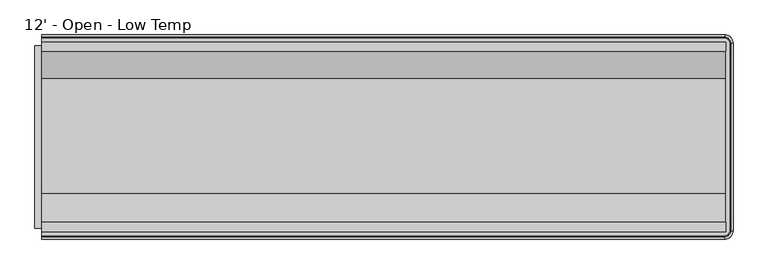
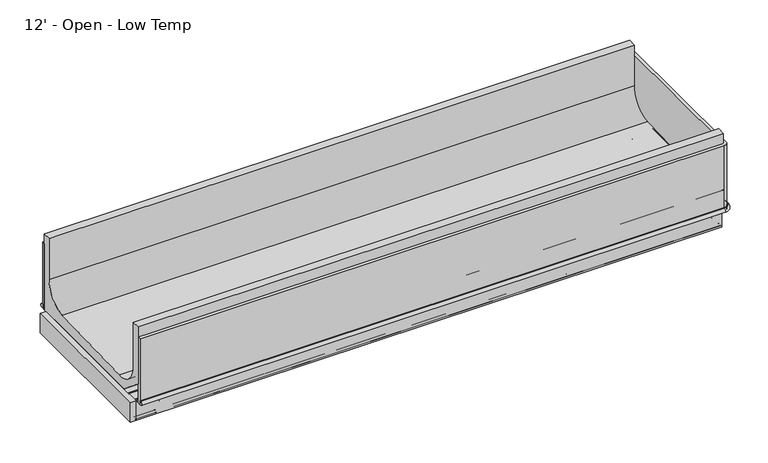
"""IFC4 building model written with IfcOpenShell, lengths in millimetres: proxy geometry, 12' - Open - Low Temp."""

from ifc_helpers import new_model, si_unit, point, frame, frame_2d, origin, place, context, project, spatial, polyline, circle_curve, ellipse_curve, trimmed, segment, composite_curve, outline, extrude, faceted_brep, source, transform, mapped, element, save
from ifc_brep_helpers import plane_surface, cylinder_surface, revolved_surface, advanced_brep


def proxy_12_open_low_temp_6ffc156e(model_context):
    return source(origin(), model_context, "Body", "SolidModel", [
        extrude(outline(composite_curve([segment(trimmed(circle_curve(frame_2d((3461.4857348, -1195.4118533)), 12.7), [point((3448.7857348, -1195.4118533))], [point((3474.1857348, -1195.4118533))], False, "CARTESIAN"), True, "CONTINUOUS"), segment(trimmed(circle_curve(frame_2d((3461.4857348, -1195.4118533)), 12.7), [point((3474.1857348, -1195.4118533))], [point((3448.7857348, -1195.4118533))], False, "CARTESIAN"), True, "CONTINUOUS")], self_intersect=False)), frame((0.0, 0.0, 267.1357836), z_axis=(0.0, 0.0, 1.0), x_axis=(1.0, 0.0, 0.0)), (0.0, 0.0, 1.0), 111.4880864),
        extrude(outline(composite_curve([segment(trimmed(circle_curve(frame_2d((3411.1411097, -1195.4118533)), 9.525), [point((3401.6161097, -1195.4118533))], [point((3420.6661097, -1195.4118533))], False, "CARTESIAN"), True, "CONTINUOUS"), segment(trimmed(circle_curve(frame_2d((3411.1411097, -1195.4118533)), 9.525), [point((3420.6661097, -1195.4118533))], [point((3401.6161097, -1195.4118533))], False, "CARTESIAN"), True, "CONTINUOUS")], self_intersect=False)), frame((0.0, 0.0, 267.1357836), z_axis=(0.0, 0.0, 1.0), x_axis=(1.0, 0.0, 0.0)), (0.0, 0.0, 1.0), 111.4880864),
        extrude(outline(composite_curve([segment(trimmed(circle_curve(frame_2d((1828.8, -1198.5868533)), 38.1), [point((1790.7, -1198.5868533))], [point((1866.9, -1198.5868533))], False, "CARTESIAN"), True, "CONTINUOUS"), segment(trimmed(circle_curve(frame_2d((1828.8, -1198.5868533)), 38.1), [point((1866.9, -1198.5868533))], [point((1790.7, -1198.5868533))], False, "CARTESIAN"), True, "CONTINUOUS")], self_intersect=False)), frame((0.0, 0.0, 267.1357836), z_axis=(0.0, 0.0, 1.0), x_axis=(1.0, 0.0, 0.0)), (0.0, 0.0, 1.0), 111.4880864),
        extrude(outline(polyline([(247.65, -1413.6237792), (247.65, -1451.7237792), (133.35, -1451.7237792), (133.35, -1413.6237792), (247.65, -1413.6237792)])), frame((0.0, 0.0, 274.6794054), z_axis=(0.0, 0.0, 1.0), x_axis=(1.0, 0.0, 0.0)), (0.0, 0.0, 1.0), 6.35),
        advanced_brep(
        [(0.0, -1496.0833013, 358.14512), (0.0, -1496.0833013, 332.74512), (0.0, -1502.3063013, 332.74512), (0.0, -1502.3063013, 358.14512), (0.0, -427.7095533, 358.14512), (0.0, -421.4865533, 358.14512), (0.0, -421.4865533, 332.74512), (0.0, -427.7095533, 332.74512), (3699.51, -1502.3063013, 358.14512), (3732.872374, -1468.9439273, 358.14512), (3732.872374, -454.8489273, 358.14512), (3699.51, -421.4865533, 358.14512), (3699.51, -427.7095533, 358.14512), (3726.649374, -454.8489273, 358.14512), (3726.649374, -1468.9439273, 358.14512), (3699.51, -1496.0833013, 358.14512), (3699.51, -421.4865533, 332.74512), (3699.51, -1496.0833013, 332.74512), (3726.649374, -1468.9439273, 332.74512), (3726.649374, -454.8489273, 332.74512), (3699.51, -427.7095533, 332.74512), (3732.872374, -454.8489273, 332.74512), (3732.872374, -1468.9439273, 332.74512), (3699.51, -1502.3063013, 332.74512)],
        [
            (0, 1),
            (1, 2),
            (2, 3, circle_curve(frame((0.0, -1502.3063013, 345.44512), z_axis=(-1.0, 0.0, 0.0), x_axis=(0.0, -1.0, 0.0)), 12.7)),
            (3, 0),
            (4, 5),
            (5, 6, circle_curve(frame((0.0, -421.4865533, 345.44512), z_axis=(-1.0, 0.0, 0.0), x_axis=(0.0, 1.0, 0.0)), 12.7)),
            (6, 7),
            (7, 4),
            (3, 8),
            (8, 9, circle_curve(frame((3699.51, -1468.9439273, 358.14512), z_axis=(0.0, 0.0, 1.0), x_axis=(1.0, 0.0, 0.0)), 33.362374)),
            (9, 10),
            (10, 11, circle_curve(frame((3699.51, -454.8489273, 358.14512), z_axis=(0.0, 0.0, 1.0), x_axis=(0.0, 1.0, 0.0)), 33.362374)),
            (11, 5),
            (4, 12),
            (12, 13, circle_curve(frame((3699.51, -454.8489273, 358.14512), z_axis=(0.0, 0.0, -1.0), x_axis=(0.0, 1.0, 0.0)), 27.139374)),
            (13, 14),
            (14, 15, circle_curve(frame((3699.51, -1468.9439273, 358.14512), z_axis=(0.0, 0.0, -1.0), x_axis=(1.0, 0.0, 0.0)), 27.139374)),
            (15, 0),
            (11, 16, circle_curve(frame((3699.51, -421.4865533, 345.44512), z_axis=(-1.0, 0.0, 0.0), x_axis=(0.0, 1.0, 0.0)), 12.7)),
            (16, 6),
            (1, 17),
            (17, 18, circle_curve(frame((3699.51, -1468.9439273, 332.74512), z_axis=(0.0, 0.0, 1.0), x_axis=(1.0, 0.0, 0.0)), 27.139374)),
            (18, 19),
            (19, 20, circle_curve(frame((3699.51, -454.8489273, 332.74512), z_axis=(0.0, 0.0, 1.0), x_axis=(0.0, 1.0, 0.0)), 27.139374)),
            (20, 7),
            (16, 21, circle_curve(frame((3699.51, -454.8489273, 332.74512), z_axis=(0.0, 0.0, -1.0), x_axis=(0.0, 1.0, 0.0)), 33.362374)),
            (21, 22),
            (22, 23, circle_curve(frame((3699.51, -1468.9439273, 332.74512), z_axis=(0.0, 0.0, -1.0), x_axis=(1.0, 0.0, 0.0)), 33.362374)),
            (23, 2),
            (20, 12),
            (10, 21, circle_curve(frame((3732.872374, -454.8489273, 345.44512), z_axis=(0.0, 1.0, 0.0), x_axis=(1.0, 0.0, 0.0)), 12.7)),
            (19, 13),
            (9, 22, circle_curve(frame((3732.872374, -1468.9439273, 345.44512), z_axis=(0.0, 1.0, 0.0), x_axis=(1.0, 0.0, 0.0)), 12.7)),
            (18, 14),
            (8, 23, circle_curve(frame((3699.51, -1502.3063013, 345.44512), z_axis=(1.0, 0.0, 0.0), x_axis=(0.0, -1.0, 0.0)), 12.7)),
            (17, 15),
        ],
        [
            plane_surface(frame((0.0, -1522.2839273, 717.55), z_axis=(-1.0, 0.0, 0.0), x_axis=(0.0, 0.0, 1.0))),
            plane_surface(frame((0.0, -401.5089273, 717.55), z_axis=(-1.0, 0.0, 0.0), x_axis=(0.0, 0.0, 1.0))),
            plane_surface(frame((0.0, -427.7095533, 358.14512), z_axis=(0.0, 0.0, 1.0), x_axis=(1.0, 0.0, 0.0))),
            cylinder_surface(frame((0.0, -421.4865533, 345.44512), z_axis=(-1.0, 0.0, 0.0), x_axis=(0.0, 1.0, 0.0)), 12.7),
            plane_surface(frame((0.0, -421.4865533, 332.74512), z_axis=(0.0, 0.0, -1.0), x_axis=(1.0, 0.0, 0.0))),
            plane_surface(frame((0.0, -427.7095533, 332.74512), z_axis=(0.0, -1.0, 0.0), x_axis=(1.0, 0.0, 0.0))),
            revolved_surface(trimmed(ellipse_curve(frame((3699.51, -421.4865533, 345.44512), z_axis=(-1.0, 0.0, 0.0), x_axis=(0.0, 1.0, 0.0)), 12.7, 12.7), [point((3699.51, -421.4865533, 358.14512))], [point((3699.51, -421.4865533, 332.74512))], True, "CARTESIAN"), (3699.51, -454.8489273, 717.55), (0.0, 0.0, -1.0)),
            revolved_surface(polyline([(3699.51, -427.70955330000004, 332.74512), (3699.51, -427.70955330000004, 358.14512)]), (3699.51, -454.8489273, 717.55), (0.0, 0.0, -1.0)),
            cylinder_surface(frame((3732.872374, -454.8489273, 345.44512), z_axis=(0.0, 1.0, 0.0), x_axis=(1.0, 0.0, 0.0)), 12.7),
            plane_surface(frame((3726.649374, -454.8489273, 332.74512), z_axis=(-1.0, 0.0, 0.0), x_axis=(0.0, -1.0, 0.0))),
            revolved_surface(trimmed(ellipse_curve(frame((3732.872374, -1468.9439273, 345.44512), z_axis=(0.0, 1.0, 0.0), x_axis=(1.0, 0.0, 0.0)), 12.7, 12.7), [point((3732.872374, -1468.9439273, 358.14512))], [point((3732.872374, -1468.9439273, 332.74512))], True, "CARTESIAN"), (3699.51, -1468.9439273, 717.55), (0.0, 0.0, -1.0)),
            revolved_surface(polyline([(3726.649374, -1468.9439273, 332.74512), (3726.649374, -1468.9439273, 358.14512)]), (3699.51, -1468.9439273, 717.55), (0.0, 0.0, -1.0)),
            cylinder_surface(frame((3699.51, -1502.3063013, 345.44512), z_axis=(1.0, 0.0, 0.0), x_axis=(0.0, -1.0, 0.0)), 12.7),
            plane_surface(frame((3699.51, -1496.0833013, 332.74512), z_axis=(0.0, 1.0, 0.0), x_axis=(-1.0, 0.0, 0.0))),
        ],
        [
            (0, [[1, 2, 3, 4]]),
            (1, [[5, 6, 7, 8]]),
            (2, [[-4, 9, 10, 11, 12, 13, -5, 14, 15, 16, 17, 18]]),
            (3, [[-6, -13, 19, 20]]),
            (4, [[-2, 21, 22, 23, 24, 25, -7, -20, 26, 27, 28, 29]]),
            (5, [[-8, -25, 30, -14]]),
            (6, [[-12, 31, -26, -19]]),
            (7, [[-15, -30, -24, 32]]),
            (8, [[-11, 33, -27, -31]]),
            (9, [[-16, -32, -23, 34]]),
            (10, [[-10, 35, -28, -33]]),
            (11, [[-17, -34, -22, 36]]),
            (12, [[-3, -29, -35, -9]]),
            (13, [[-1, -18, -36, -21]]),
        ],
    ),
        advanced_brep(
        [(3706.5148438, -645.364244, 415.4160788), (3706.5148438, -1266.4759331, 393.268902), (3706.5148438, -1424.2105725, 546.0329855), (3706.5148438, -1424.2105725, 840.41492), (3706.5148438, -1475.9703113, 840.41492), (3706.5148438, -1475.9703113, 460.2391669), (3706.5148438, -1323.1509772, 332.00852), (3706.5148438, -447.8225433, 332.00852), (3706.5148438, -447.8225433, 840.41492), (3706.5148438, -498.2829273, 840.41492), (3706.5148438, -498.2829273, 567.7232408), (0.0, -645.364244, 415.4160788), (0.0, -498.2829273, 567.7232408), (0.0, -498.2829273, 840.41492), (0.0, -447.8225433, 840.41492), (0.0, -447.8225433, 332.00852), (0.0, -1323.1509772, 332.00852), (0.0, -1475.9703113, 460.2391669), (0.0, -1475.9703113, 840.41492), (0.0, -1424.2105725, 840.41492), (0.0, -1424.2105725, 546.0329855), (0.0, -1266.4759331, 393.268902), (1828.8, -1248.6431135, 332.00852), (1828.8, -1147.0431135, 332.00852), (3436.9375, -1245.4681135, 332.00852), (3436.9375, -1143.8681135, 332.00852), (1828.8, -1248.6431135, 378.62387), (1828.8, -1147.0431135, 378.62387), (3436.9375, -1245.4681135, 378.62387), (3436.9375, -1143.8681135, 378.62387)],
        [
            (0, 1),
            (1, 2, circle_curve(frame((3706.5148438, -1271.9033854, 545.4803582), z_axis=(-1.0, 0.0, 0.0), x_axis=(0.0, 1.0, 0.0)), 152.3081897)),
            (2, 3),
            (3, 4),
            (4, 5),
            (5, 6),
            (6, 7),
            (7, 8),
            (8, 9),
            (9, 10),
            (10, 0, circle_curve(frame((3706.5148438, -650.6829273, 567.7232408), z_axis=(-1.0, 0.0, 0.0), x_axis=(0.0, 1.0, 0.0)), 152.4)),
            (11, 12, circle_curve(frame((0.0, -650.6829273, 567.7232408), z_axis=(1.0, 0.0, 0.0), x_axis=(0.0, 1.0, 0.0)), 152.4)),
            (12, 13),
            (13, 14),
            (14, 15),
            (15, 16),
            (16, 17),
            (17, 18),
            (18, 19),
            (19, 20),
            (20, 21, circle_curve(frame((0.0, -1271.9033854, 545.4803582), z_axis=(1.0, 0.0, 0.0), x_axis=(0.0, 1.0, 0.0)), 152.3081897)),
            (21, 11),
            (0, 11),
            (21, 1),
            (20, 2),
            (19, 3),
            (18, 4),
            (17, 5),
            (16, 6),
            (15, 7),
            (22, 23, circle_curve(frame((1828.8, -1197.8431135, 332.00852), z_axis=(0.0, 0.0, 1.0), x_axis=(0.0, 1.0, 0.0)), 50.8)),
            (23, 22, circle_curve(frame((1828.8, -1197.8431135, 332.00852), z_axis=(0.0, 0.0, 1.0), x_axis=(0.0, 1.0, 0.0)), 50.8)),
            (24, 25, circle_curve(frame((3436.9375, -1194.6681135, 332.00852), z_axis=(0.0, 0.0, 1.0), x_axis=(0.0, 1.0, 0.0)), 50.8)),
            (25, 24, circle_curve(frame((3436.9375, -1194.6681135, 332.00852), z_axis=(0.0, 0.0, 1.0), x_axis=(0.0, 1.0, 0.0)), 50.8)),
            (14, 8),
            (13, 9),
            (12, 10),
            (26, 27, circle_curve(frame((1828.8, -1197.8431135, 378.62387), z_axis=(0.0, 0.0, -1.0), x_axis=(0.0, 1.0, 0.0)), 50.8)),
            (27, 26, circle_curve(frame((1828.8, -1197.8431135, 378.62387), z_axis=(0.0, 0.0, -1.0), x_axis=(0.0, 1.0, 0.0)), 50.8)),
            (27, 23),
            (22, 26),
            (28, 29, circle_curve(frame((3436.9375, -1194.6681135, 378.62387), z_axis=(0.0, 0.0, -1.0), x_axis=(0.0, 1.0, 0.0)), 50.8)),
            (29, 28, circle_curve(frame((3436.9375, -1194.6681135, 378.62387), z_axis=(0.0, 0.0, -1.0), x_axis=(0.0, 1.0, 0.0)), 50.8)),
            (29, 25),
            (24, 28),
        ],
        [
            plane_surface(frame((3706.5148438, -1266.4759331, 393.268902), z_axis=(1.0, 0.0, 0.0), x_axis=(0.0, -0.999364883420705, -0.03563467111565395))),
            plane_surface(frame((0.0, -1266.4759331, 393.268902), z_axis=(-1.0, 0.0, 0.0), x_axis=(0.0, 0.999364883420705, 0.03563467111565395))),
            plane_surface(frame((3706.5148438, -645.364244, 415.4160788), z_axis=(0.0, -0.03563467111565395, 0.999364883420705), x_axis=(-1.0, 0.0, 0.0))),
            revolved_surface(polyline([(0.0, -1119.5951957, 545.4803582), (3706.5148438, -1119.5951957, 545.4803582)]), (0.0, -1271.9033854, 545.4803582), (-1.0, 0.0, 0.0)),
            plane_surface(frame((3706.5148438, -1424.2105725, 546.0329855), z_axis=(0.0, 1.0, 0.0), x_axis=(-1.0, 0.0, 0.0))),
            plane_surface(frame((3706.5148438, -1424.2105725, 840.41492), z_axis=(0.0, 0.0, 1.0), x_axis=(-1.0, 0.0, 0.0))),
            plane_surface(frame((3706.5148438, -1475.9703113, 840.41492), z_axis=(0.0, -1.0, 0.0), x_axis=(-1.0, 0.0, 0.0))),
            plane_surface(frame((3706.5148438, -1475.9703113, 460.2391669), z_axis=(0.0, -0.6427876096896754, -0.7660444431163466), x_axis=(-1.0, 0.0, 0.0))),
            plane_surface(frame((3706.5148438, -1323.1509772, 332.00852), z_axis=(0.0, 0.0, -1.0), x_axis=(-1.0, 0.0, 0.0))),
            plane_surface(frame((3706.5148438, -447.8225433, 332.00852), z_axis=(0.0, 1.0, 0.0), x_axis=(-1.0, 0.0, 0.0))),
            plane_surface(frame((3706.5148438, -447.8225433, 840.41492), z_axis=(0.0, 0.0, 1.0), x_axis=(-1.0, 0.0, 0.0))),
            plane_surface(frame((3706.5148438, -498.2829273, 840.41492), z_axis=(0.0, -1.0, 0.0), x_axis=(-1.0, 0.0, 0.0))),
            revolved_surface(polyline([(0.0, -498.2829273, 567.7232408), (3706.5148438, -498.2829273, 567.7232408)]), (0.0, -650.6829273, 567.7232408), (-1.0, 0.0, 0.0)),
            plane_surface(frame((1828.8, -1147.0431135, 378.62387), z_axis=(0.0, 0.0, -1.0), x_axis=(-1.0, 0.0, 0.0))),
            revolved_surface(polyline([(1828.8, -1147.0431135000001, 378.62387), (1828.8, -1147.0431135000001, 332.00852)]), (1828.8, -1197.8431135, 277.02387), (0.0, 0.0, 1.0)),
            plane_surface(frame((3436.9375, -1143.8681135, 378.62387), z_axis=(0.0, 0.0, -1.0), x_axis=(-1.0, 0.0, 0.0))),
            revolved_surface(polyline([(3436.9375, -1143.8681135, 378.62387), (3436.9375, -1143.8681135, 332.00852)]), (3436.9375, -1194.6681135, 277.02387), (0.0, 0.0, 1.0)),
        ],
        [
            (0, [[1, 2, 3, 4, 5, 6, 7, 8, 9, 10, 11]]),
            (1, [[12, 13, 14, 15, 16, 17, 18, 19, 20, 21, 22]]),
            (2, [[-1, 23, -22, 24]]),
            (3, [[-2, -24, -21, 25]]),
            (4, [[-3, -25, -20, 26]]),
            (5, [[-4, -26, -19, 27]]),
            (6, [[-5, -27, -18, 28]]),
            (7, [[-6, -28, -17, 29]]),
            (8, [[-7, -29, -16, 30], [31, 32], [33, 34]]),
            (9, [[-8, -30, -15, 35]]),
            (10, [[-9, -35, -14, 36]]),
            (11, [[-10, -36, -13, 37]]),
            (12, [[-11, -37, -12, -23]]),
            (13, [[38, 39]]),
            (14, [[-39, 40, -31, 41]]),
            (14, [[-38, -41, -32, -40]]),
            (15, [[42, 43]]),
            (16, [[-43, 44, -33, 45]]),
            (16, [[-42, -45, -34, -44]]),
        ],
    ),
        faceted_brep([(3706.5148438, -1455.9322513, 325.9788642), (3706.5148438, -1455.9322513, 202.18277), (3706.5148438, -1445.1118513, 202.18277), (3706.5148438, -1445.1118513, 325.9788642), (0.0, -1455.9322513, 325.9788642), (0.0, -1445.1118513, 325.9788642), (0.0, -1445.1118513, 202.18277), (0.0, -1455.9322513, 202.18277), (133.35, -1445.1118513, 202.18277), (133.35, -1451.7237792, 202.18277), (247.65, -1451.7237792, 202.18277), (247.65, -1445.1118513, 202.18277), (247.65, -1445.1118513, 281.0294054), (133.35, -1445.1118513, 281.0294054), (247.65, -1451.7237792, 281.0294054), (133.35, -1451.7237792, 281.0294054)], [[[0, 1, 2, 3]], [[4, 5, 6, 7]], [[1, 0, 4, 7]], [[2, 1, 7, 6, 8, 9, 10, 11]], [[3, 2, 11, 12, 13, 8, 6, 5]], [[0, 3, 5, 4]], [[14, 15, 13, 12]], [[10, 14, 12, 11]], [[15, 14, 10, 9]], [[15, 9, 8, 13]]]),
        faceted_brep([(3706.5148438, -466.0942513, 325.9788642), (3706.5148438, -476.9146513, 325.9788642), (3706.5148438, -476.9146513, 202.18277), (3706.5148438, -466.0942513, 202.18277), (0.0, -466.0942513, 325.9788642), (0.0, -466.0942513, 202.18277), (0.0, -476.9146513, 202.18277), (0.0, -476.9146513, 325.9788642)], [[[0, 1, 2, 3]], [[4, 5, 6, 7]], [[1, 0, 4, 7]], [[2, 1, 7, 6]], [[3, 2, 6, 5]], [[0, 3, 5, 4]]]),
        advanced_brep(
        [(3706.5148438, -1432.4118513, 203.70677), (3706.5148438, -1432.4118513, 218.05777), (3706.5148438, -1430.9132513, 218.05777), (3706.5148438, -1430.9132513, 327.2908141), (3706.5148438, -1432.8052072, 329.18277), (3706.5148438, -1443.5878513, 329.18277), (3706.5148438, -1445.1118513, 327.65877), (3706.5148438, -1445.1118513, 203.7555594), (3706.5148438, -1443.5390619, 202.18277), (3706.5148438, -1433.9358513, 202.18277), (0.0, -1432.4118513, 203.70677), (0.0, -1433.9358513, 202.18277), (0.0, -1443.5390619, 202.18277), (0.0, -1445.1118513, 203.7555594), (0.0, -1445.1118513, 327.65877), (0.0, -1443.5878513, 329.18277), (0.0, -1432.8052072, 329.18277), (0.0, -1430.9132513, 327.2908141), (0.0, -1430.9132513, 218.05777), (0.0, -1432.4118513, 218.05777), (247.65, -1432.4118513, 203.70677), (247.65, -1432.4118513, 218.05777), (133.35, -1432.4118513, 218.05777), (133.35, -1432.4118513, 203.70677), (247.65, -1430.9132513, 218.05777), (133.35, -1430.9132513, 218.05777), (247.65, -1430.9132513, 281.0294054), (133.35, -1430.9132513, 281.0294054), (133.35, -1445.1118513, 203.7555594), (133.35, -1445.1118513, 281.0294054), (247.65, -1445.1118513, 281.0294054), (247.65, -1445.1118513, 203.7555594), (247.65, -1443.5390619, 202.18277), (133.35, -1443.5390619, 202.18277), (247.65, -1433.9358513, 202.18277), (133.35, -1433.9358513, 202.18277)],
        [
            (0, 1),
            (1, 2),
            (2, 3),
            (3, 4, circle_curve(frame((3706.5148438, -1432.8052072, 327.2908141), z_axis=(1.0, 0.0, 0.0), x_axis=(0.0, 1.0, 0.0)), 1.8919559)),
            (4, 5),
            (5, 6, circle_curve(frame((3706.5148438, -1443.5878513, 327.65877), z_axis=(1.0, 0.0, 0.0), x_axis=(0.0, 1.0, 0.0)), 1.524)),
            (6, 7),
            (7, 8, circle_curve(frame((3706.5148438, -1443.5390619, 203.7555594), z_axis=(1.0, 0.0, 0.0), x_axis=(0.0, 1.0, 0.0)), 1.5727894)),
            (8, 9),
            (9, 0, circle_curve(frame((3706.5148438, -1433.9358513, 203.70677), z_axis=(1.0, 0.0, 0.0), x_axis=(0.0, 1.0, 0.0)), 1.524)),
            (10, 11, circle_curve(frame((0.0, -1433.9358513, 203.70677), z_axis=(-1.0, 0.0, 0.0), x_axis=(0.0, 1.0, 0.0)), 1.524)),
            (11, 12),
            (12, 13, circle_curve(frame((0.0, -1443.5390619, 203.7555594), z_axis=(-1.0, 0.0, 0.0), x_axis=(0.0, 1.0, 0.0)), 1.5727894)),
            (13, 14),
            (14, 15, circle_curve(frame((0.0, -1443.5878513, 327.65877), z_axis=(-1.0, 0.0, 0.0), x_axis=(0.0, 1.0, 0.0)), 1.524)),
            (15, 16),
            (16, 17, circle_curve(frame((0.0, -1432.8052072, 327.2908141), z_axis=(-1.0, 0.0, 0.0), x_axis=(0.0, 1.0, 0.0)), 1.8919559)),
            (17, 18),
            (18, 19),
            (19, 10),
            (0, 20),
            (20, 21),
            (21, 1),
            (19, 22),
            (22, 23),
            (23, 10),
            (21, 24),
            (24, 2),
            (18, 25),
            (25, 22),
            (24, 26),
            (26, 27),
            (27, 25),
            (17, 3),
            (16, 4),
            (15, 5),
            (14, 6),
            (13, 28),
            (28, 29),
            (29, 30),
            (30, 31),
            (31, 7),
            (31, 32, circle_curve(frame((247.65, -1443.5390619, 203.7555594), z_axis=(1.0, 0.0, 0.0), x_axis=(0.0, 1.0, 0.0)), 1.5727894)),
            (32, 8),
            (12, 33),
            (33, 28, circle_curve(frame((133.35, -1443.5390619, 203.7555594), z_axis=(-1.0, 0.0, 0.0), x_axis=(0.0, 1.0, 0.0)), 1.5727894)),
            (32, 34),
            (34, 9),
            (11, 35),
            (35, 33),
            (34, 20, circle_curve(frame((247.65, -1433.9358513, 203.70677), z_axis=(1.0, 0.0, 0.0), x_axis=(0.0, 1.0, 0.0)), 1.524)),
            (23, 35, circle_curve(frame((133.35, -1433.9358513, 203.70677), z_axis=(-1.0, 0.0, 0.0), x_axis=(0.0, 1.0, 0.0)), 1.524)),
            (26, 30),
            (29, 27),
        ],
        [
            plane_surface(frame((3706.5148438, -1432.4118513, 218.05777), z_axis=(1.0, 0.0, 0.0), x_axis=(0.0, 0.0, 1.0))),
            plane_surface(frame((0.0, -1432.4118513, 218.05777), z_axis=(-1.0, 0.0, 0.0), x_axis=(0.0, 0.0, -1.0))),
            plane_surface(frame((3706.5148438, -1432.4118513, 203.70677), z_axis=(0.0, 1.0, 0.0), x_axis=(-1.0, 0.0, 0.0))),
            plane_surface(frame((3706.5148438, -1432.4118513, 218.05777), z_axis=(0.0, 0.0, -1.0), x_axis=(-1.0, 0.0, 0.0))),
            plane_surface(frame((3706.5148438, -1430.9132513, 218.05777), z_axis=(0.0, 1.0, 0.0), x_axis=(-1.0, 0.0, 0.0))),
            cylinder_surface(frame((0.0, -1432.8052072, 327.2908141), z_axis=(1.0, 0.0, 0.0), x_axis=(0.0, 1.0, 0.0)), 1.8919559),
            plane_surface(frame((3706.5148438, -1432.8052072, 329.18277), z_axis=(0.0, 0.0, 1.0), x_axis=(-1.0, 0.0, 0.0))),
            cylinder_surface(frame((0.0, -1443.5878513, 327.65877), z_axis=(1.0, 0.0, 0.0), x_axis=(0.0, 1.0, 0.0)), 1.524),
            plane_surface(frame((3706.5148438, -1445.1118513, 327.65877), z_axis=(0.0, -1.0, 0.0), x_axis=(-1.0, 0.0, 0.0))),
            cylinder_surface(frame((0.0, -1443.5390619, 203.7555594), z_axis=(1.0, 0.0, 0.0), x_axis=(0.0, 1.0, 0.0)), 1.5727894),
            plane_surface(frame((3706.5148438, -1443.5390619, 202.18277), z_axis=(0.0, 0.0, -1.0), x_axis=(-1.0, 0.0, 0.0))),
            cylinder_surface(frame((0.0, -1433.9358513, 203.70677), z_axis=(1.0, 0.0, 0.0), x_axis=(0.0, 1.0, 0.0)), 1.524),
            plane_surface(frame((0.0, -1481.3322513, 281.0294054), z_axis=(0.0, 0.0, -1.0), x_axis=(1.0, 0.0, 0.0))),
            plane_surface(frame((247.65, -1413.6237792, 202.18277), z_axis=(-1.0, 0.0, 0.0), x_axis=(0.0, 0.0, 1.0))),
            plane_surface(frame((133.35, -1451.7237792, 202.18277), z_axis=(1.0, 0.0, 0.0), x_axis=(0.0, 0.0, 1.0))),
        ],
        [
            (0, [[1, 2, 3, 4, 5, 6, 7, 8, 9, 10]]),
            (1, [[11, 12, 13, 14, 15, 16, 17, 18, 19, 20]]),
            (2, [[-1, 21, 22, 23]]),
            (2, [[-20, 24, 25, 26]]),
            (3, [[-2, -23, 27, 28]]),
            (3, [[-19, 29, 30, -24]]),
            (4, [[-3, -28, 31, 32, 33, -29, -18, 34]]),
            (5, [[-4, -34, -17, 35]]),
            (6, [[-5, -35, -16, 36]]),
            (7, [[-6, -36, -15, 37]]),
            (8, [[-7, -37, -14, 38, 39, 40, 41, 42]]),
            (9, [[-8, -42, 43, 44]]),
            (9, [[-13, 45, 46, -38]]),
            (10, [[-9, -44, 47, 48]]),
            (10, [[-12, 49, 50, -45]]),
            (11, [[-10, -48, 51, -21]]),
            (11, [[-11, -26, 52, -49]]),
            (12, [[53, -40, 54, -32]]),
            (13, [[-53, -31, -27, -22, -51, -47, -43, -41]]),
            (14, [[-54, -39, -46, -50, -52, -25, -30, -33]]),
        ],
    ),
        advanced_brep(
        [(3706.5148438, -489.6146513, 203.70677), (3706.5148438, -488.0906513, 202.18277), (3706.5148438, -478.4874408, 202.18277), (3706.5148438, -476.9146513, 203.7555594), (3706.5148438, -476.9146513, 327.65877), (3706.5148438, -478.4386513, 329.18277), (3706.5148438, -489.2212954, 329.18277), (3706.5148438, -491.1132513, 327.2908141), (3706.5148438, -491.1132513, 218.05777), (3706.5148438, -489.6146513, 218.05777), (0.0, -489.6146513, 203.70677), (0.0, -489.6146513, 218.05777), (0.0, -491.1132513, 218.05777), (0.0, -491.1132513, 327.2908141), (0.0, -489.2212954, 329.18277), (0.0, -478.4386513, 329.18277), (0.0, -476.9146513, 327.65877), (0.0, -476.9146513, 203.7555594), (0.0, -478.4874408, 202.18277), (0.0, -488.0906513, 202.18277)],
        [
            (0, 1, circle_curve(frame((3706.5148438, -488.0906513, 203.70677), z_axis=(1.0, 0.0, 0.0), x_axis=(0.0, 1.0, 0.0)), 1.524)),
            (1, 2),
            (2, 3, circle_curve(frame((3706.5148438, -478.4874408, 203.7555594), z_axis=(1.0, 0.0, 0.0), x_axis=(0.0, 1.0, 0.0)), 1.5727894)),
            (3, 4),
            (4, 5, circle_curve(frame((3706.5148438, -478.4386513, 327.65877), z_axis=(1.0, 0.0, 0.0), x_axis=(0.0, 1.0, 0.0)), 1.524)),
            (5, 6),
            (6, 7, circle_curve(frame((3706.5148438, -489.2212954, 327.2908141), z_axis=(1.0, 0.0, 0.0), x_axis=(0.0, 1.0, 0.0)), 1.8919559)),
            (7, 8),
            (8, 9),
            (9, 0),
            (10, 11),
            (11, 12),
            (12, 13),
            (13, 14, circle_curve(frame((0.0, -489.2212954, 327.2908141), z_axis=(-1.0, 0.0, 0.0), x_axis=(0.0, 1.0, 0.0)), 1.8919559)),
            (14, 15),
            (15, 16, circle_curve(frame((0.0, -478.4386513, 327.65877), z_axis=(-1.0, 0.0, 0.0), x_axis=(0.0, 1.0, 0.0)), 1.524)),
            (16, 17),
            (17, 18, circle_curve(frame((0.0, -478.4874408, 203.7555594), z_axis=(-1.0, 0.0, 0.0), x_axis=(0.0, 1.0, 0.0)), 1.5727894)),
            (18, 19),
            (19, 10, circle_curve(frame((0.0, -488.0906513, 203.70677), z_axis=(-1.0, 0.0, 0.0), x_axis=(0.0, 1.0, 0.0)), 1.524)),
            (0, 10),
            (19, 1),
            (18, 2),
            (17, 3),
            (16, 4),
            (15, 5),
            (14, 6),
            (13, 7),
            (12, 8),
            (11, 9),
        ],
        [
            plane_surface(frame((3706.5148438, -1432.4118513, 218.05777), z_axis=(1.0, 0.0, 0.0), x_axis=(0.0, 0.0, 1.0))),
            plane_surface(frame((0.0, -1432.4118513, 218.05777), z_axis=(-1.0, 0.0, 0.0), x_axis=(0.0, 0.0, -1.0))),
            cylinder_surface(frame((0.0, -488.0906513, 203.70677), z_axis=(1.0, 0.0, 0.0), x_axis=(0.0, 1.0, 0.0)), 1.524),
            plane_surface(frame((3706.5148438, -488.0906513, 202.18277), z_axis=(0.0, 0.0, -1.0), x_axis=(-1.0, 0.0, 0.0))),
            cylinder_surface(frame((0.0, -478.4874408, 203.7555594), z_axis=(1.0, 0.0, 0.0), x_axis=(0.0, 1.0, 0.0)), 1.5727894),
            plane_surface(frame((3706.5148438, -476.9146513, 203.7555594), z_axis=(0.0, 1.0, 0.0), x_axis=(-1.0, 0.0, 0.0))),
            cylinder_surface(frame((0.0, -478.4386513, 327.65877), z_axis=(1.0, 0.0, 0.0), x_axis=(0.0, 1.0, 0.0)), 1.524),
            plane_surface(frame((3706.5148438, -478.4386513, 329.18277), z_axis=(0.0, 0.0, 1.0), x_axis=(-1.0, 0.0, 0.0))),
            cylinder_surface(frame((0.0, -489.2212954, 327.2908141), z_axis=(1.0, 0.0, 0.0), x_axis=(0.0, 1.0, 0.0)), 1.8919559),
            plane_surface(frame((3706.5148438, -491.1132513, 327.2908141), z_axis=(0.0, -1.0, 0.0), x_axis=(-1.0, 0.0, 0.0))),
            plane_surface(frame((3706.5148438, -491.1132513, 218.05777), z_axis=(0.0, 0.0, -1.0), x_axis=(-1.0, 0.0, 0.0))),
            plane_surface(frame((3706.5148438, -489.6146513, 218.05777), z_axis=(0.0, -1.0, 0.0), x_axis=(-1.0, 0.0, 0.0))),
        ],
        [
            (0, [[1, 2, 3, 4, 5, 6, 7, 8, 9, 10]]),
            (1, [[11, 12, 13, 14, 15, 16, 17, 18, 19, 20]]),
            (2, [[-1, 21, -20, 22]]),
            (3, [[-2, -22, -19, 23]]),
            (4, [[-3, -23, -18, 24]]),
            (5, [[-4, -24, -17, 25]]),
            (6, [[-5, -25, -16, 26]]),
            (7, [[-6, -26, -15, 27]]),
            (8, [[-7, -27, -14, 28]]),
            (9, [[-8, -28, -13, 29]]),
            (10, [[-9, -29, -12, 30]]),
            (11, [[-10, -30, -11, -21]]),
        ],
    ),
        advanced_brep(
        [(3706.5148438, -1362.6507513, 227.926894), (3706.5148438, -1362.6507513, 293.70532), (3706.5148438, -1364.6319513, 293.70532), (3706.5148438, -1364.6319513, 324.82032), (3706.5148438, -1367.8069513, 327.99532), (3706.5148438, -1429.6435261, 327.99532), (3706.5148438, -1432.5007513, 325.1380948), (3706.5148438, -1432.5007513, 213.28892), (3706.5148438, -1428.5383513, 209.32652), (3706.5148438, -1413.3321043, 209.32652), (3706.5148438, -1411.526365, 209.6530509), (0.0, -1362.6507513, 227.926894), (0.0, -1411.526365, 209.6530509), (0.0, -1413.3321043, 209.32652), (0.0, -1428.5383513, 209.32652), (0.0, -1432.5007513, 213.28892), (0.0, -1432.5007513, 325.1380948), (0.0, -1429.6435261, 327.99532), (0.0, -1367.8069513, 327.99532), (0.0, -1364.6319513, 324.82032), (0.0, -1364.6319513, 293.70532), (0.0, -1362.6507513, 293.70532), (133.35, -1432.5007513, 213.28892), (133.35, -1432.5007513, 281.0294054), (247.65, -1432.5007513, 281.0294054), (247.65, -1432.5007513, 213.28892), (247.65, -1428.5383513, 209.32652), (133.35, -1428.5383513, 209.32652), (247.65, -1413.6237792, 209.32652), (133.35, -1413.6237792, 209.32652), (133.35, -1413.6237792, 281.0294054), (247.65, -1413.6237792, 281.0294054)],
        [
            (0, 1),
            (1, 2),
            (2, 3),
            (3, 4, circle_curve(frame((3706.5148438, -1367.8069513, 324.82032), z_axis=(1.0, 0.0, 0.0), x_axis=(0.0, 1.0, 0.0)), 3.175)),
            (4, 5),
            (5, 6, circle_curve(frame((3706.5148438, -1429.6435261, 325.1380948), z_axis=(1.0, 0.0, 0.0), x_axis=(0.0, 1.0, 0.0)), 2.8572252)),
            (6, 7),
            (7, 8, circle_curve(frame((3706.5148438, -1428.5383513, 213.28892), z_axis=(1.0, 0.0, 0.0), x_axis=(0.0, 1.0, 0.0)), 3.9624)),
            (8, 9),
            (9, 10, circle_curve(frame((3706.5148438, -1413.3321043, 214.48272), z_axis=(1.0, 0.0, 0.0), x_axis=(0.0, 1.0, 0.0)), 5.1562)),
            (10, 0),
            (11, 12),
            (12, 13, circle_curve(frame((0.0, -1413.3321043, 214.48272), z_axis=(-1.0, 0.0, 0.0), x_axis=(0.0, 1.0, 0.0)), 5.1562)),
            (13, 14),
            (14, 15, circle_curve(frame((0.0, -1428.5383513, 213.28892), z_axis=(-1.0, 0.0, 0.0), x_axis=(0.0, 1.0, 0.0)), 3.9624)),
            (15, 16),
            (16, 17, circle_curve(frame((0.0, -1429.6435261, 325.1380948), z_axis=(-1.0, 0.0, 0.0), x_axis=(0.0, 1.0, 0.0)), 2.8572252)),
            (17, 18),
            (18, 19, circle_curve(frame((0.0, -1367.8069513, 324.82032), z_axis=(-1.0, 0.0, 0.0), x_axis=(0.0, 1.0, 0.0)), 3.175)),
            (19, 20),
            (20, 21),
            (21, 11),
            (0, 11),
            (21, 1),
            (20, 2),
            (19, 3),
            (18, 4),
            (17, 5),
            (16, 6),
            (15, 22),
            (22, 23),
            (23, 24),
            (24, 25),
            (25, 7),
            (25, 26, circle_curve(frame((247.65, -1428.5383513, 213.28892), z_axis=(1.0, 0.0, 0.0), x_axis=(0.0, 1.0, 0.0)), 3.9624)),
            (26, 8),
            (14, 27),
            (27, 22, circle_curve(frame((133.35, -1428.5383513, 213.28892), z_axis=(-1.0, 0.0, 0.0), x_axis=(0.0, 1.0, 0.0)), 3.9624)),
            (26, 28),
            (28, 29),
            (29, 27),
            (13, 9),
            (12, 10),
            (30, 31),
            (31, 24),
            (23, 30),
            (31, 28),
            (29, 30),
        ],
        [
            plane_surface(frame((3706.5148438, -1362.6507513, 332.00852), z_axis=(1.0, 0.0, 0.0), x_axis=(0.0, 0.0, 1.0))),
            plane_surface(frame((0.0, -1362.6507513, 332.00852), z_axis=(-1.0, 0.0, 0.0), x_axis=(0.0, 0.0, -1.0))),
            plane_surface(frame((3706.5148438, -1362.6507513, 227.926894), z_axis=(0.0, 1.0, 0.0), x_axis=(-1.0, 0.0, 0.0))),
            plane_surface(frame((3706.5148438, -1362.6507513, 293.70532), z_axis=(0.0, 0.0, 1.0), x_axis=(-1.0, 0.0, 0.0))),
            plane_surface(frame((3706.5148438, -1364.6319513, 293.70532), z_axis=(0.0, 1.0, 0.0), x_axis=(-1.0, 0.0, 0.0))),
            cylinder_surface(frame((0.0, -1367.8069513, 324.82032), z_axis=(1.0, 0.0, 0.0), x_axis=(0.0, 1.0, 0.0)), 3.175),
            plane_surface(frame((3706.5148438, -1367.8069513, 327.99532), z_axis=(0.0, 0.0, 1.0), x_axis=(-1.0, 0.0, 0.0))),
            cylinder_surface(frame((0.0, -1429.6435261, 325.1380948), z_axis=(1.0, 0.0, 0.0), x_axis=(0.0, 1.0, 0.0)), 2.8572252),
            plane_surface(frame((3706.5148438, -1432.5007513, 325.1380948), z_axis=(0.0, -1.0, 0.0), x_axis=(-1.0, 0.0, 0.0))),
            cylinder_surface(frame((0.0, -1428.5383513, 213.28892), z_axis=(1.0, 0.0, 0.0), x_axis=(0.0, 1.0, 0.0)), 3.9624),
            plane_surface(frame((3706.5148438, -1428.5383513, 209.32652), z_axis=(0.0, 0.0, -1.0), x_axis=(-1.0, 0.0, 0.0))),
            cylinder_surface(frame((0.0, -1413.3321043, 214.48272), z_axis=(1.0, 0.0, 0.0), x_axis=(0.0, 1.0, 0.0)), 5.1562),
            plane_surface(frame((3706.5148438, -1411.526365, 209.6530509), z_axis=(0.0, 0.35020738115642, -0.9366721892869255), x_axis=(-1.0, 0.0, 0.0))),
            plane_surface(frame((0.0, -1481.3322513, 281.0294054), z_axis=(0.0, 0.0, -1.0), x_axis=(1.0, 0.0, 0.0))),
            plane_surface(frame((247.65, -1413.6237792, 202.18277), z_axis=(-1.0, 0.0, 0.0), x_axis=(0.0, 0.0, 1.0))),
            plane_surface(frame((133.35, -1451.7237792, 202.18277), z_axis=(1.0, 0.0, 0.0), x_axis=(0.0, 0.0, 1.0))),
            plane_surface(frame((133.35, -1413.6237792, 202.18277), z_axis=(0.0, -1.0, 0.0), x_axis=(0.0, 0.0, 1.0))),
        ],
        [
            (0, [[1, 2, 3, 4, 5, 6, 7, 8, 9, 10, 11]]),
            (1, [[12, 13, 14, 15, 16, 17, 18, 19, 20, 21, 22]]),
            (2, [[-1, 23, -22, 24]]),
            (3, [[-2, -24, -21, 25]]),
            (4, [[-3, -25, -20, 26]]),
            (5, [[-4, -26, -19, 27]]),
            (6, [[-5, -27, -18, 28]]),
            (7, [[-6, -28, -17, 29]]),
            (8, [[-7, -29, -16, 30, 31, 32, 33, 34]]),
            (9, [[-8, -34, 35, 36]]),
            (9, [[-15, 37, 38, -30]]),
            (10, [[-9, -36, 39, 40, 41, -37, -14, 42]]),
            (11, [[-10, -42, -13, 43]]),
            (12, [[-11, -43, -12, -23]]),
            (13, [[44, 45, -32, 46]]),
            (14, [[-45, 47, -39, -35, -33]]),
            (15, [[-46, -31, -38, -41, 48]]),
            (16, [[-44, -48, -40, -47]]),
        ],
    ),
        advanced_brep(
        [(3706.5148438, -559.3757513, 227.926894), (3706.5148438, -510.5001377, 209.6530509), (3706.5148438, -508.6943984, 209.32652), (3706.5148438, -493.4881513, 209.32652), (3706.5148438, -489.5257513, 213.28892), (3706.5148438, -489.5257513, 325.1380948), (3706.5148438, -492.3829765, 327.99532), (3706.5148438, -554.2195513, 327.99532), (3706.5148438, -557.3945513, 324.82032), (3706.5148438, -557.3945513, 293.70532), (3706.5148438, -559.3757513, 293.70532), (0.0, -559.3757513, 227.926894), (0.0, -559.3757513, 293.70532), (0.0, -557.3945513, 293.70532), (0.0, -557.3945513, 324.82032), (0.0, -554.2195513, 327.99532), (0.0, -492.3829765, 327.99532), (0.0, -489.5257513, 325.1380948), (0.0, -489.5257513, 213.28892), (0.0, -493.4881513, 209.32652), (0.0, -508.6943984, 209.32652), (0.0, -510.5001377, 209.6530509)],
        [
            (0, 1),
            (1, 2, circle_curve(frame((3706.5148438, -508.6943984, 214.48272), z_axis=(1.0, 0.0, 0.0), x_axis=(0.0, 1.0, 0.0)), 5.1562)),
            (2, 3),
            (3, 4, circle_curve(frame((3706.5148438, -493.4881513, 213.28892), z_axis=(1.0, 0.0, 0.0), x_axis=(0.0, 1.0, 0.0)), 3.9624)),
            (4, 5),
            (5, 6, circle_curve(frame((3706.5148438, -492.3829765, 325.1380948), z_axis=(1.0, 0.0, 0.0), x_axis=(0.0, 1.0, 0.0)), 2.8572252)),
            (6, 7),
            (7, 8, circle_curve(frame((3706.5148438, -554.2195513, 324.82032), z_axis=(1.0, 0.0, 0.0), x_axis=(0.0, 1.0, 0.0)), 3.175)),
            (8, 9),
            (9, 10),
            (10, 0),
            (11, 12),
            (12, 13),
            (13, 14),
            (14, 15, circle_curve(frame((0.0, -554.2195513, 324.82032), z_axis=(-1.0, 0.0, 0.0), x_axis=(0.0, 1.0, 0.0)), 3.175)),
            (15, 16),
            (16, 17, circle_curve(frame((0.0, -492.3829765, 325.1380948), z_axis=(-1.0, 0.0, 0.0), x_axis=(0.0, 1.0, 0.0)), 2.8572252)),
            (17, 18),
            (18, 19, circle_curve(frame((0.0, -493.4881513, 213.28892), z_axis=(-1.0, 0.0, 0.0), x_axis=(0.0, 1.0, 0.0)), 3.9624)),
            (19, 20),
            (20, 21, circle_curve(frame((0.0, -508.6943984, 214.48272), z_axis=(-1.0, 0.0, 0.0), x_axis=(0.0, 1.0, 0.0)), 5.1562)),
            (21, 11),
            (0, 11),
            (21, 1),
            (20, 2),
            (19, 3),
            (18, 4),
            (17, 5),
            (16, 6),
            (15, 7),
            (14, 8),
            (13, 9),
            (12, 10),
        ],
        [
            plane_surface(frame((3706.5148438, -1362.6507513, 332.00852), z_axis=(1.0, 0.0, 0.0), x_axis=(0.0, 0.0, 1.0))),
            plane_surface(frame((0.0, -1362.6507513, 332.00852), z_axis=(-1.0, 0.0, 0.0), x_axis=(0.0, 0.0, -1.0))),
            plane_surface(frame((3706.5148438, -559.3757513, 227.926894), z_axis=(0.0, -0.35020738115642114, -0.9366721892869251), x_axis=(-1.0, 0.0, 0.0))),
            cylinder_surface(frame((0.0, -508.6943984, 214.48272), z_axis=(1.0, 0.0, 0.0), x_axis=(0.0, 1.0, 0.0)), 5.1562),
            plane_surface(frame((3706.5148438, -508.6943984, 209.32652), z_axis=(0.0, 0.0, -1.0), x_axis=(-1.0, 0.0, 0.0))),
            cylinder_surface(frame((0.0, -493.4881513, 213.28892), z_axis=(1.0, 0.0, 0.0), x_axis=(0.0, 1.0, 0.0)), 3.9624),
            plane_surface(frame((3706.5148438, -489.5257513, 213.28892), z_axis=(0.0, 1.0, 0.0), x_axis=(-1.0, 0.0, 0.0))),
            cylinder_surface(frame((0.0, -492.3829765, 325.1380948), z_axis=(1.0, 0.0, 0.0), x_axis=(0.0, 1.0, 0.0)), 2.8572252),
            plane_surface(frame((3706.5148438, -492.3829765, 327.99532), z_axis=(0.0, 0.0, 1.0), x_axis=(-1.0, 0.0, 0.0))),
            cylinder_surface(frame((0.0, -554.2195513, 324.82032), z_axis=(1.0, 0.0, 0.0), x_axis=(0.0, 1.0, 0.0)), 3.175),
            plane_surface(frame((3706.5148438, -557.3945513, 324.82032), z_axis=(0.0, -1.0, 0.0), x_axis=(-1.0, 0.0, 0.0))),
            plane_surface(frame((3706.5148438, -557.3945513, 293.70532), z_axis=(0.0, 0.0, 1.0), x_axis=(-1.0, 0.0, 0.0))),
            plane_surface(frame((3706.5148438, -559.3757513, 293.70532), z_axis=(0.0, -1.0, 0.0), x_axis=(-1.0, 0.0, 0.0))),
        ],
        [
            (0, [[1, 2, 3, 4, 5, 6, 7, 8, 9, 10, 11]]),
            (1, [[12, 13, 14, 15, 16, 17, 18, 19, 20, 21, 22]]),
            (2, [[-1, 23, -22, 24]]),
            (3, [[-2, -24, -21, 25]]),
            (4, [[-3, -25, -20, 26]]),
            (5, [[-4, -26, -19, 27]]),
            (6, [[-5, -27, -18, 28]]),
            (7, [[-6, -28, -17, 29]]),
            (8, [[-7, -29, -16, 30]]),
            (9, [[-8, -30, -15, 31]]),
            (10, [[-9, -31, -14, 32]]),
            (11, [[-10, -32, -13, 33]]),
            (12, [[-11, -33, -12, -23]]),
        ],
    ),
        advanced_brep(
        [(3706.5148438, -1303.1736264, 235.17737), (3706.5148438, -1303.1736264, 277.02387), (3706.5148438, -618.1091365, 277.02387), (3706.5148438, -618.1091365, 235.17737), (3706.5148438, -611.7591365, 228.82737), (3706.5148438, -597.9923365, 228.82737), (3706.5148438, -597.9923365, 204.95137), (3706.5148438, -561.7633513, 204.95137), (3706.5148438, -559.3757513, 207.33897), (3706.5148438, -559.3757513, 332.00852), (3706.5148438, -1362.6507513, 332.00852), (3706.5148438, -1362.6507513, 207.33897), (3706.5148438, -1360.2631513, 204.95137), (3706.5148438, -1324.0341661, 204.95137), (3706.5148438, -1324.0341661, 228.82737), (3706.5148438, -1309.5236264, 228.82737), (-0.3948756, -1303.1736264, 235.17737), (-0.3948756, -1309.5236264, 228.82737), (-0.3948756, -1324.0341661, 228.82737), (-0.3948756, -1324.0341661, 204.95137), (-0.3948756, -1360.2631513, 204.95137), (-0.3948756, -1362.6507513, 207.33897), (-0.3948756, -1362.6507513, 332.00852), (-0.3948756, -559.3757513, 332.00852), (-0.3948756, -559.3757513, 207.33897), (-0.3948756, -561.7633513, 204.95137), (-0.3948756, -597.9923365, 204.95137), (-0.3948756, -597.9923365, 228.82737), (-0.3948756, -611.7591365, 228.82737), (-0.3948756, -618.1091365, 235.17737), (-0.3948756, -618.1091365, 277.02387), (-0.3948756, -1303.1736264, 277.02387), (1828.8, -1248.6431135, 277.02387), (1828.8, -1147.0431135, 277.02387), (3436.9375, -1245.4681135, 277.02387), (3436.9375, -1143.8681135, 277.02387), (1828.8, -1147.0431135, 332.00852), (1828.8, -1248.6431135, 332.00852), (3436.9375, -1143.8681135, 332.00852), (3436.9375, -1245.4681135, 332.00852)],
        [
            (0, 1),
            (1, 2),
            (2, 3),
            (3, 4, circle_curve(frame((3706.5148438, -611.7591365, 235.17737), z_axis=(1.0, 0.0, 0.0), x_axis=(0.0, 1.0, 0.0)), 6.35)),
            (4, 5),
            (5, 6),
            (6, 7),
            (7, 8, circle_curve(frame((3706.5148438, -561.7633513, 207.33897), z_axis=(1.0, 0.0, 0.0), x_axis=(0.0, 1.0, 0.0)), 2.3876)),
            (8, 9),
            (9, 10),
            (10, 11),
            (11, 12, circle_curve(frame((3706.5148438, -1360.2631513, 207.33897), z_axis=(1.0, 0.0, 0.0), x_axis=(0.0, 1.0, 0.0)), 2.3876)),
            (12, 13),
            (13, 14),
            (14, 15),
            (15, 0, circle_curve(frame((3706.5148438, -1309.5236264, 235.17737), z_axis=(1.0, 0.0, 0.0), x_axis=(0.0, 1.0, 0.0)), 6.35)),
            (16, 17, circle_curve(frame((-0.3948756, -1309.5236264, 235.17737), z_axis=(-1.0, 0.0, 0.0), x_axis=(0.0, 1.0, 0.0)), 6.35)),
            (17, 18),
            (18, 19),
            (19, 20),
            (20, 21, circle_curve(frame((-0.3948756, -1360.2631513, 207.33897), z_axis=(-1.0, 0.0, 0.0), x_axis=(0.0, 1.0, 0.0)), 2.3876)),
            (21, 22),
            (22, 23),
            (23, 24),
            (24, 25, circle_curve(frame((-0.3948756, -561.7633513, 207.33897), z_axis=(-1.0, 0.0, 0.0), x_axis=(0.0, 1.0, 0.0)), 2.3876)),
            (25, 26),
            (26, 27),
            (27, 28),
            (28, 29, circle_curve(frame((-0.3948756, -611.7591365, 235.17737), z_axis=(-1.0, 0.0, 0.0), x_axis=(0.0, 1.0, 0.0)), 6.35)),
            (29, 30),
            (30, 31),
            (31, 16),
            (0, 16),
            (31, 1),
            (30, 2),
            (32, 33, circle_curve(frame((1828.8, -1197.8431135, 277.02387), z_axis=(0.0, 0.0, 1.0), x_axis=(0.0, 1.0, 0.0)), 50.8)),
            (33, 32, circle_curve(frame((1828.8, -1197.8431135, 277.02387), z_axis=(0.0, 0.0, 1.0), x_axis=(0.0, 1.0, 0.0)), 50.8)),
            (34, 35, circle_curve(frame((3436.9375, -1194.6681135, 277.02387), z_axis=(0.0, 0.0, 1.0), x_axis=(0.0, 1.0, 0.0)), 50.8)),
            (35, 34, circle_curve(frame((3436.9375, -1194.6681135, 277.02387), z_axis=(0.0, 0.0, 1.0), x_axis=(0.0, 1.0, 0.0)), 50.8)),
            (29, 3),
            (28, 4),
            (27, 5),
            (26, 6),
            (25, 7),
            (24, 8),
            (23, 9),
            (22, 10),
            (36, 37, circle_curve(frame((1828.8, -1197.8431135, 332.00852), z_axis=(0.0, 0.0, -1.0), x_axis=(0.0, 1.0, 0.0)), 50.8)),
            (37, 36, circle_curve(frame((1828.8, -1197.8431135, 332.00852), z_axis=(0.0, 0.0, -1.0), x_axis=(0.0, 1.0, 0.0)), 50.8)),
            (38, 39, circle_curve(frame((3436.9375, -1194.6681135, 332.00852), z_axis=(0.0, 0.0, -1.0), x_axis=(0.0, 1.0, 0.0)), 50.8)),
            (39, 38, circle_curve(frame((3436.9375, -1194.6681135, 332.00852), z_axis=(0.0, 0.0, -1.0), x_axis=(0.0, 1.0, 0.0)), 50.8)),
            (21, 11),
            (20, 12),
            (19, 13),
            (18, 14),
            (17, 15),
            (32, 37),
            (36, 33),
            (34, 39),
            (38, 35),
        ],
        [
            plane_surface(frame((3706.5148438, -1303.1736264, 332.00852), z_axis=(1.0, 0.0, 0.0), x_axis=(0.0, 0.0, 1.0))),
            plane_surface(frame((-0.3948756, -1303.1736264, 332.00852), z_axis=(-1.0, 0.0, 0.0), x_axis=(0.0, 0.0, -1.0))),
            plane_surface(frame((3706.5148438, -1303.1736264, 235.17737), z_axis=(0.0, 1.0, 0.0), x_axis=(-1.0, 0.0, 0.0))),
            plane_surface(frame((3706.5148438, -1303.1736264, 277.02387), z_axis=(0.0, 0.0, -1.0), x_axis=(-1.0, 0.0, 0.0))),
            plane_surface(frame((3706.5148438, -618.1091365, 277.02387), z_axis=(0.0, -1.0, 0.0), x_axis=(-1.0, 0.0, 0.0))),
            cylinder_surface(frame((-0.3948756, -611.7591365, 235.17737), z_axis=(1.0, 0.0, 0.0), x_axis=(0.0, 1.0, 0.0)), 6.35),
            plane_surface(frame((3706.5148438, -611.7591365, 228.82737), z_axis=(0.0, 0.0, -1.0), x_axis=(-1.0, 0.0, 0.0))),
            plane_surface(frame((3706.5148438, -597.9923365, 228.82737), z_axis=(0.0, -1.0, 0.0), x_axis=(-1.0, 0.0, 0.0))),
            plane_surface(frame((3706.5148438, -597.9923365, 204.95137), z_axis=(0.0, 0.0, -1.0), x_axis=(-1.0, 0.0, 0.0))),
            cylinder_surface(frame((-0.3948756, -561.7633513, 207.33897), z_axis=(1.0, 0.0, 0.0), x_axis=(0.0, 1.0, 0.0)), 2.3876),
            plane_surface(frame((3706.5148438, -559.3757513, 207.33897), z_axis=(0.0, 1.0, 0.0), x_axis=(-1.0, 0.0, 0.0))),
            plane_surface(frame((3706.5148438, -559.3757513, 332.00852), z_axis=(0.0, 0.0, 1.0), x_axis=(-1.0, 0.0, 0.0))),
            plane_surface(frame((3706.5148438, -1362.6507513, 332.00852), z_axis=(0.0, -1.0, 0.0), x_axis=(-1.0, 0.0, 0.0))),
            cylinder_surface(frame((-0.3948756, -1360.2631513, 207.33897), z_axis=(1.0, 0.0, 0.0), x_axis=(0.0, 1.0, 0.0)), 2.3876),
            plane_surface(frame((3706.5148438, -1360.2631513, 204.95137), z_axis=(0.0, 0.0, -1.0), x_axis=(-1.0, 0.0, 0.0))),
            plane_surface(frame((3706.5148438, -1324.0341661, 204.95137), z_axis=(0.0, 1.0, 0.0), x_axis=(-1.0, 0.0, 0.0))),
            plane_surface(frame((3706.5148438, -1324.0341661, 228.82737), z_axis=(0.0, 0.0, -1.0), x_axis=(-1.0, 0.0, 0.0))),
            cylinder_surface(frame((-0.3948756, -1309.5236264, 235.17737), z_axis=(1.0, 0.0, 0.0), x_axis=(0.0, 1.0, 0.0)), 6.35),
            revolved_surface(polyline([(1828.8, -1147.0431135000001, 332.00852), (1828.8, -1147.0431135000001, 277.02387)]), (1828.8, -1197.8431135, 277.02387), (0.0, 0.0, 1.0)),
            revolved_surface(polyline([(3436.9375, -1143.8681135, 332.00852), (3436.9375, -1143.8681135, 277.02387)]), (3436.9375, -1194.6681135, 277.02387), (0.0, 0.0, 1.0)),
        ],
        [
            (0, [[1, 2, 3, 4, 5, 6, 7, 8, 9, 10, 11, 12, 13, 14, 15, 16]]),
            (1, [[17, 18, 19, 20, 21, 22, 23, 24, 25, 26, 27, 28, 29, 30, 31, 32]]),
            (2, [[-1, 33, -32, 34]]),
            (3, [[-2, -34, -31, 35], [36, 37], [38, 39]]),
            (4, [[-3, -35, -30, 40]]),
            (5, [[-4, -40, -29, 41]]),
            (6, [[-5, -41, -28, 42]]),
            (7, [[-6, -42, -27, 43]]),
            (8, [[-7, -43, -26, 44]]),
            (9, [[-8, -44, -25, 45]]),
            (10, [[-9, -45, -24, 46]]),
            (11, [[-10, -46, -23, 47], [48, 49], [50, 51]]),
            (12, [[-11, -47, -22, 52]]),
            (13, [[-12, -52, -21, 53]]),
            (14, [[-13, -53, -20, 54]]),
            (15, [[-14, -54, -19, 55]]),
            (16, [[-15, -55, -18, 56]]),
            (17, [[-16, -56, -17, -33]]),
            (18, [[57, -48, 58, -36]]),
            (18, [[-57, -37, -58, -49]]),
            (19, [[59, -50, 60, -38]]),
            (19, [[-59, -39, -60, -51]]),
        ],
    ),
        extrude(outline(composite_curve([segment(polyline([(0.0, -1496.0833013), (0.0, -1475.9703113), (3699.51, -1475.9703113)]), True, "CONTINUOUS"), segment(trimmed(circle_curve(frame_2d((3699.51, -1468.9439273)), 7.026384), [point((3699.51, -1475.9703113))], [point((3706.536384, -1468.9439273))], True, "CARTESIAN"), True, "CONTINUOUS"), segment(polyline([(3706.536384, -1468.9439273), (3706.536384, -454.8489273)]), True, "CONTINUOUS"), segment(trimmed(circle_curve(frame_2d((3699.51, -454.8489273)), 7.026384), [point((3706.536384, -454.8489273))], [point((3699.51, -447.8225433))], True, "CARTESIAN"), True, "CONTINUOUS"), segment(polyline([(3699.51, -447.8225433), (0.0, -447.8225433), (0.0, -427.7095533), (3699.51, -427.7095533)]), True, "CONTINUOUS"), segment(trimmed(circle_curve(frame_2d((3699.51, -454.8489273)), 27.139374), [point((3699.51, -427.7095533))], [point((3726.649374, -454.8489273))], False, "CARTESIAN"), True, "CONTINUOUS"), segment(polyline([(3726.649374, -454.8489273), (3726.649374, -1468.9439273)]), True, "CONTINUOUS"), segment(trimmed(circle_curve(frame_2d((3699.51, -1468.9439273)), 27.139374), [point((3726.649374, -1468.9439273))], [point((3699.51, -1496.0833013))], False, "CARTESIAN"), True, "CONTINUOUS"), segment(polyline([(3699.51, -1496.0833013), (0.0, -1496.0833013)]), True, "CONTINUOUS")], self_intersect=False)), frame((0.0, 0.0, 332.00852), z_axis=(0.0, 0.0, 1.0), x_axis=(1.0, 0.0, 0.0)), (0.0, 0.0, 1.0), 441.3885),
        extrude(outline(polyline([(0.0, -466.0942513), (0.0, -1455.9322513), (-38.1, -1455.9322513), (-38.1, -466.0942513), (0.0, -466.0942513)])), frame((0.0, 0.0, 202.18277), z_axis=(0.0, 0.0, 1.0), x_axis=(1.0, 0.0, 0.0)), (0.0, 0.0, 1.0), 129.82575),
    ])


if __name__ == "__main__":
    model = new_model("IFC4")
    model_context = context("Model", 3, world=origin())
    ifc_project = project(units=[si_unit("LENGTHUNIT", "METRE", prefix="MILLI")], contexts=[model_context])
    site = spatial("IfcSite", under=ifc_project)
    building = spatial("IfcBuilding", under=site)
    placement = place(None, origin())
    proxy_12_open_low_temp_shape = proxy_12_open_low_temp_6ffc156e(model_context)
    element("IfcBuildingElementProxy", 1, Name="12' - Open - Low Temp", ObjectType="12' - Open - Low Temp", at=placement, inside=building, context=model_context, shape_type="MappedRepresentation", body=[
        mapped(proxy_12_open_low_temp_shape, transform((0.0, 0.0, 0.0), x_axis=(1.0, 0.0, 0.0), y_axis=(0.0, 1.0, 0.0), z_axis=(0.0, 0.0, 1.0))),
    ])
    save(model, "model.ifc")
